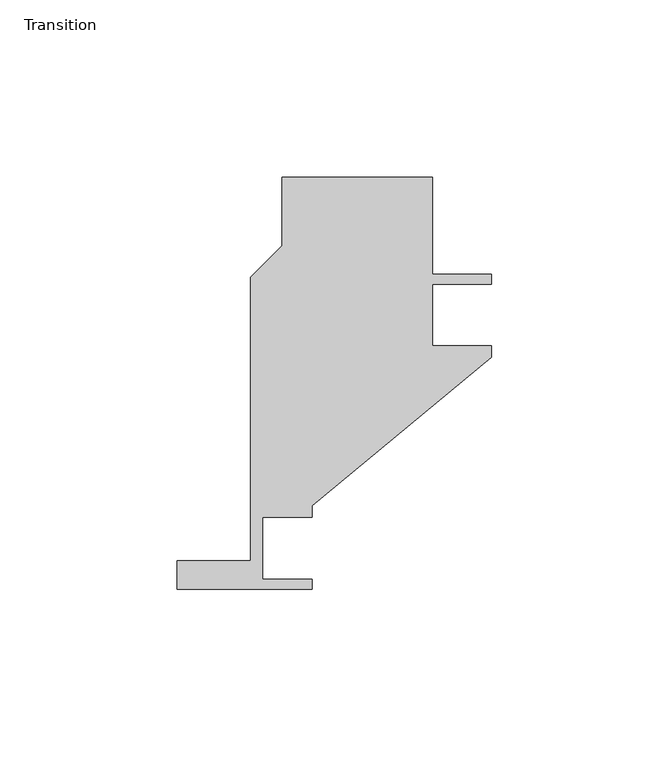
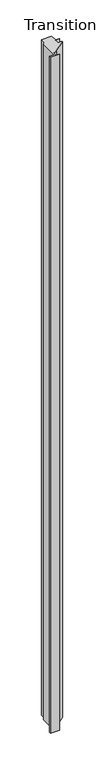
"""IFC4 building model written with IfcOpenShell, lengths in millimetres: furniture geometry, Transition."""

from ifc_helpers import new_model, si_unit, origin, origin_with_axes, place, context, project, spatial, polyline, outline, extrude, source, transform, mapped, element, save


def transition_db37bb8f(model_context):
    return source(origin(), model_context, "Body", "SweptSolid", [
        extrude(outline(polyline([(-14.4728469, -28.948195), (-14.4728469, -20.9481947), (6.2771538, -20.9481947), (6.2771538, 59.0657271), (15.1771541, 67.9657273), (15.1771541, 87.3636834), (57.7220476, 87.3636834), (57.7220476, 59.951805), (74.4271531, 59.951805), (74.4271531, 57.1518078), (57.7220476, 57.1518078), (57.7220476, 39.7518072), (74.4271531, 39.7518072), (74.4271531, 36.4518048), (23.6271544, -5.4481942), (23.6271544, -8.7481943), (9.7771541, -8.7481943), (9.7771541, -26.1481949), (23.6271544, -26.1481949), (23.6271544, -28.948195), (-14.4728469, -28.948195)])), origin_with_axes(), (0.0, 0.0, 1.0), 3048.0),
    ])


if __name__ == "__main__":
    model = new_model("IFC4")
    model_context = context("Model", 3, world=origin())
    ifc_project = project(units=[si_unit("LENGTHUNIT", "METRE", prefix="MILLI")], contexts=[model_context])
    site = spatial("IfcSite", under=ifc_project)
    building = spatial("IfcBuilding", under=site)
    placement = place(None, origin())
    transition_shape = transition_db37bb8f(model_context)
    element("IfcFurniture", 1, ObjectType="Transition", at=placement, inside=building, context=model_context, shape_type="MappedRepresentation", body=[
        mapped(transition_shape, transform((0.0, 0.0, 0.0), x_axis=(1.0, 0.0, 0.0), y_axis=(0.0, 1.0, 0.0), z_axis=(0.0, 0.0, 1.0))),
    ])
    save(model, "model.ifc")
